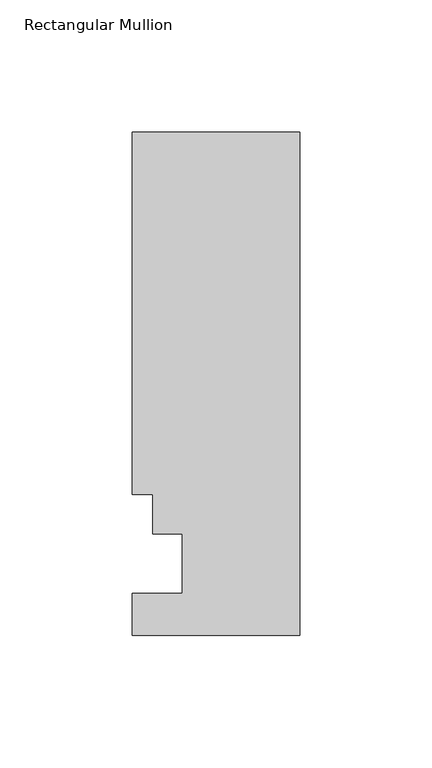
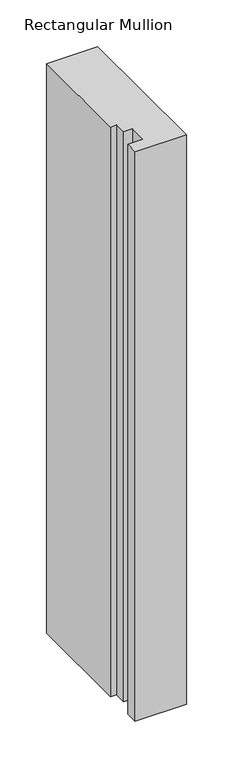
"""IFC4 building model written with IfcOpenShell, lengths in millimetres: member geometry, Rectangular Mullion."""

from ifc_helpers import new_model, si_unit, frame, origin, place, context, project, spatial, polyline, outline, extrude, source, transform, mapped, element, save


def rectangular_mullion_1af14132(model_context):
    return source(origin(), model_context, "Body", "SweptSolid", [
        extrude(outline(polyline([(0.0, 190.4007813), (0.0, -0.3278187), (-63.5, -0.3278187), (-63.5, 15.5217813), (-44.45, 15.5217813), (-44.45, 38.0007812), (-55.5752, 38.0007813), (-55.5752, 53.0629813), (-63.5, 53.0629813), (-63.5, 190.4007813), (0.0, 190.4007813)])), frame((0.0, 0.0, -746.2855689), z_axis=(0.0, 0.0, 1.0), x_axis=(1.0, 0.0, 0.0)), (0.0, 0.0, 1.0), 746.2855689),
    ])


if __name__ == "__main__":
    model = new_model("IFC4")
    model_context = context("Model", 3, world=origin())
    ifc_project = project(units=[si_unit("LENGTHUNIT", "METRE", prefix="MILLI")], contexts=[model_context])
    site = spatial("IfcSite", under=ifc_project)
    building = spatial("IfcBuilding", under=site)
    placement = place(None, origin())
    rectangular_mullion_shape = rectangular_mullion_1af14132(model_context)
    element("IfcMember", 1, ObjectType="Rectangular Mullion", at=placement, inside=building, context=model_context, shape_type="MappedRepresentation", body=[
        mapped(rectangular_mullion_shape, transform((0.0, 0.0, 0.0), x_axis=(1.0, 0.0, 0.0), y_axis=(0.0, 1.0, 0.0), z_axis=(0.0, 0.0, 1.0))),
    ])
    save(model, "model.ifc")
